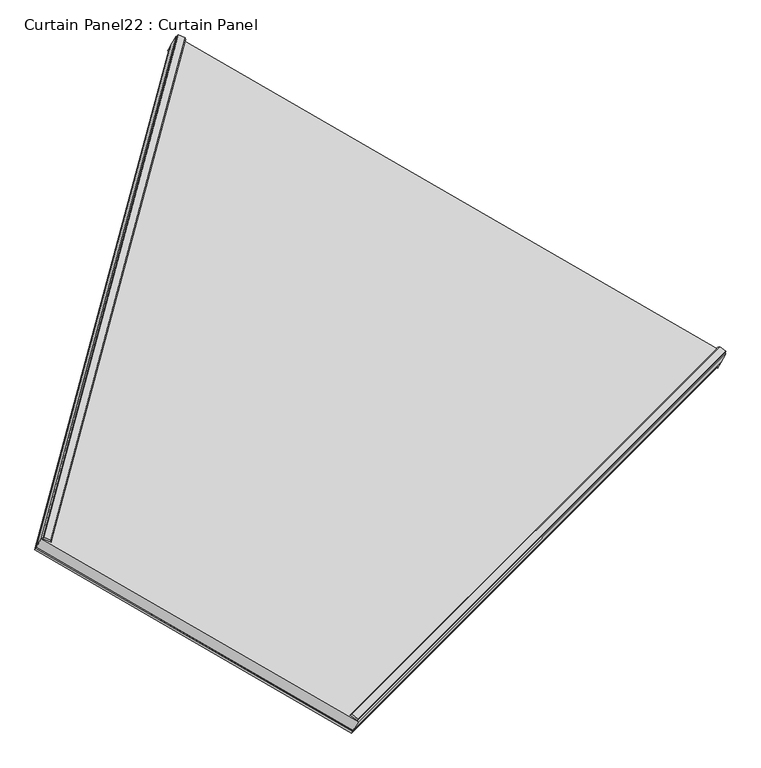
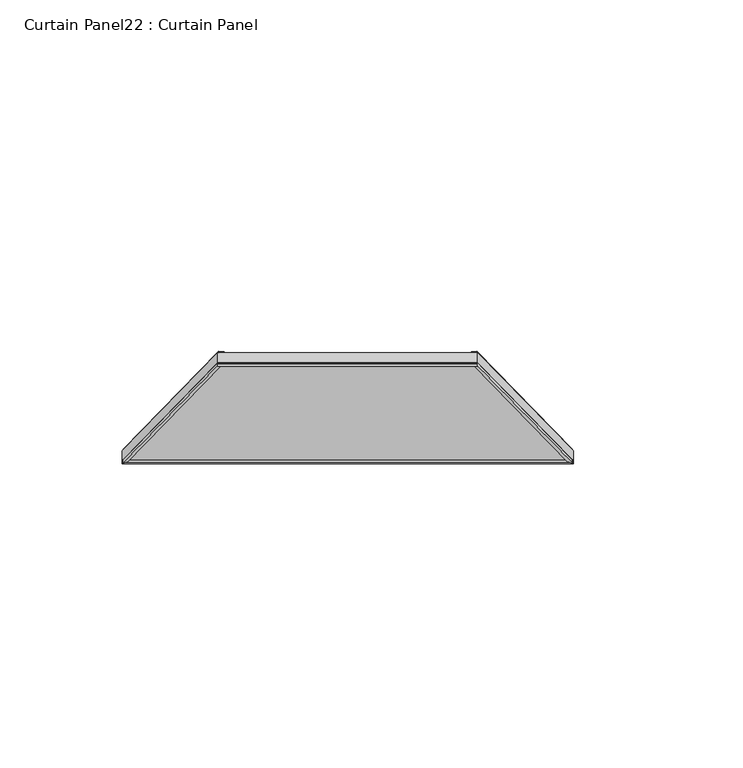
"""IFC4 building model written with IfcOpenShell, lengths in millimetres: plate geometry, Curtain Panel22 : Curtain Panel."""

from ifc_helpers import new_model, si_unit, frame, origin, place, context, project, spatial, polyline, outline, extrude, source, transform, mapped, element, save


def curtain_panel22_curtain_panel_b69e4b38(model_context):
    return source(origin(), model_context, "Body", "SweptSolid", [
        extrude(outline(polyline([(3.5619978, -0.6525147), (-2.9783482, 0.6179674), (-0.1060923, 11.3481988), (6.6476562, 13.1264294), (6.6476563, -0.6525147), (3.5619978, -0.6525147)])), frame((-11129.2730361, -12609.9115883, 3543.2855502), z_axis=(-0.8660254037844357, 0.5000000000000053, 0.0), x_axis=(0.35962729833820567, 0.6228927525104941, 0.6947465906068655)), (0.0, 0.0, 1.0), 770.5947969),
        extrude(outline(polyline([(3.5927848, 0.0), (6.6476563, 0.0), (6.6476563, -13.7830814), (-0.0947596, -12.0160628), (-2.9722081, -1.276941), (3.5927848, 0.0)])), frame((-10355.2790064, -11835.9175585, 2448.6926961), z_axis=(-0.8660254037844358, 0.500000000000005, 0.0), x_axis=(0.35962729833820567, 0.6228927525104941, 0.6947465906068655)), (0.0, 0.0, 1.0), 1337.1977514),
        extrude(outline(polyline([(36.8101562, -21.9124681), (36.8101563, -2.6006748), (41.6009452, -2.6006748), (41.6538737, -19.146457), (36.8101562, -21.9124681)])), frame((-11513.2074595, -11166.8754292, 2448.2338062), z_axis=(-0.18301270189222474, -0.6830127018922175, 0.707106781186548), x_axis=(0.35962729833820567, 0.6228927525104941, 0.6947465906068655)), (0.0, 0.0, 1.0), 1548.6370277),
        extrude(outline(polyline([(0.3698627, -12.4548713), (-1.9966907, 0.0356006), (6.6476563, 0.0356006), (6.6476562, -11.2654259), (0.3698627, -12.4548713)])), frame((-11513.2074595, -11166.8754292, 2448.2338062), z_axis=(-0.18301270189222474, -0.6830127018922175, 0.707106781186548), x_axis=(0.35962729833820567, 0.6228927525104941, 0.6947465906068655)), (0.0, 0.0, 1.0), 1548.6370277),
        extrude(outline(polyline([(36.8101563, 21.9468724), (41.6435544, 19.1700434), (41.5906156, 2.6210293), (36.8101563, 2.6210293), (36.8101563, 21.9468724)])), frame((-10354.9545222, -11835.5930744, 2448.2338062), z_axis=(-0.499999999999993, -0.5000000000000044, 0.7071067811865495), x_axis=(0.3596272983382056, 0.6228927525104941, 0.6947465906068655)), (0.0, 0.0, 1.0), 1548.6370277),
        extrude(outline(polyline([(0.369839, 12.449275), (6.6476563, 11.2598252), (6.6476563, -0.067203), (-1.9968331, -0.0418239), (0.369839, 12.449275)])), frame((-10354.9545222, -11835.5930744, 2448.2338062), z_axis=(-0.499999999999993, -0.5000000000000044, 0.7071067811865495), x_axis=(0.3596272983382056, 0.6228927525104941, 0.6947465906068655)), (0.0, 0.0, 1.0), 1548.6370277),
        extrude(outline(polyline([(-16.7167433, 0.0), (-261.4843894, -1314.8467421), (-1706.3824068, -757.5798736), (-1565.353771, 0.0), (-16.7167433, 0.0)])), frame((-11507.9790313, -11151.7007732, 2441.4906101), z_axis=(0.3596272983382056, 0.6228927525104941, 0.6947465906068655), x_axis=(0.18301270189222538, 0.6830127018922172, -0.7071067811865481)), (0.0, 0.0, 1.0), 30.1625),
    ])


if __name__ == "__main__":
    model = new_model("IFC4")
    model_context = context("Model", 3, world=origin())
    ifc_project = project(units=[si_unit("LENGTHUNIT", "METRE", prefix="MILLI")], contexts=[model_context])
    site = spatial("IfcSite", under=ifc_project)
    building = spatial("IfcBuilding", under=site)
    placement = place(None, origin())
    curtain_panel22_curtain_panel_shape = curtain_panel22_curtain_panel_b69e4b38(model_context)
    element("IfcPlate", 1, ObjectType="Curtain Panel22 : Curtain Panel", at=placement, inside=building, context=model_context, shape_type="MappedRepresentation", body=[
        mapped(curtain_panel22_curtain_panel_shape, transform((0.0, 0.0, 0.0), x_axis=(1.0, 0.0, 0.0), y_axis=(0.0, 1.0, 0.0), z_axis=(0.0, 0.0, 1.0))),
    ])
    save(model, "model.ifc")
